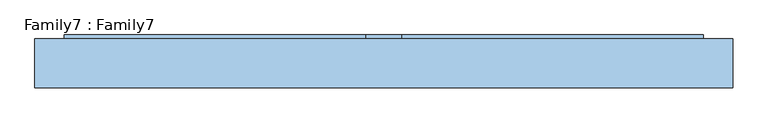
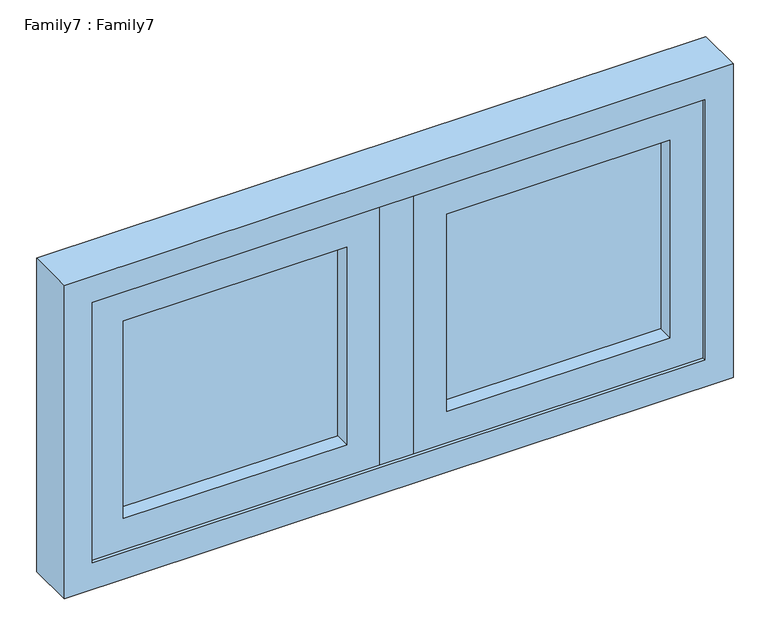
"""IFC4 building model written with IfcOpenShell, lengths in millimetres: window geometry, Family7 : Family7."""

from ifc_helpers import new_model, si_unit, frame, origin, place, context, project, spatial, polyline, outline, extrude, source, transform, mapped, element, save


def family7_family7_911ad842(model_context):
    return source(origin(), model_context, "Body", "SweptSolid", [
        extrude(outline(polyline([(486.0, 14.0), (486.0, 10.0), (89.0, 10.0), (89.0, 14.0), (486.0, 14.0)])), frame((0.0, 0.0, 909.0), z_axis=(0.0, 0.0, 1.0), x_axis=(1.0, 0.0, 0.0)), (0.0, 0.0, 1.0), 372.0),
        extrude(outline(polyline([(486.0, -10.0), (486.0, -14.0), (89.0, -14.0), (89.0, -10.0), (486.0, -10.0)])), frame((0.0, 0.0, 909.0), z_axis=(0.0, 0.0, 1.0), x_axis=(1.0, 0.0, 0.0)), (0.0, 0.0, 1.0), 372.0),
        extrude(outline(polyline([(-89.0, 14.0), (-89.0, 10.0), (-486.0, 10.0), (-486.0, 14.0), (-89.0, 14.0)])), frame((0.0, 0.0, 909.0), z_axis=(0.0, 0.0, 1.0), x_axis=(1.0, 0.0, 0.0)), (0.0, 0.0, 1.0), 372.0),
        extrude(outline(polyline([(-89.0, -10.0), (-89.0, -14.0), (-486.0, -14.0), (-486.0, -10.0), (-89.0, -10.0)])), frame((0.0, 0.0, 909.0), z_axis=(0.0, 0.0, 1.0), x_axis=(1.0, 0.0, 0.0)), (0.0, 0.0, 1.0), 372.0),
        extrude(outline(polyline([(30.0, -42.0), (-30.0, -42.0), (-30.0, 42.0), (30.0, 42.0), (30.0, -42.0)])), frame((0.0, 0.0, 850.0), z_axis=(0.0, 0.0, 1.0), x_axis=(1.0, 0.0, 0.0)), (0.0, 0.0, 1.0), 490.0),
        extrude(outline(polyline([(1340.0, 545.0), (1340.0, 30.0), (850.0, 30.0), (850.0, 545.0), (1340.0, 545.0)]), holes=[polyline([(909.0, 486.0), (909.0, 89.0), (1281.0, 89.0), (1281.0, 486.0), (909.0, 486.0)])]), frame((0.0, -42.0, 0.0), z_axis=(0.0, 1.0, 0.0), x_axis=(0.0, 0.0, 1.0)), (0.0, 0.0, 1.0), 84.0),
        extrude(outline(polyline([(1340.0, -30.0), (1340.0, -545.0), (850.0, -545.0), (850.0, -30.0), (1340.0, -30.0)]), holes=[polyline([(909.0, -89.0), (909.0, -486.0), (1281.0, -486.0), (1281.0, -89.0), (909.0, -89.0)])]), frame((0.0, -42.0, 0.0), z_axis=(0.0, 1.0, 0.0), x_axis=(0.0, 0.0, 1.0)), (0.0, 0.0, 1.0), 84.0),
        extrude(outline(polyline([(1390.0, 595.0), (1390.0, -595.0), (800.0, -595.0), (800.0, 595.0), (1390.0, 595.0)]), holes=[polyline([(850.0, 545.0), (850.0, -545.0), (1340.0, -545.0), (1340.0, 545.0), (850.0, 545.0)])]), frame((0.0, -48.2132118, 0.0), z_axis=(0.0, 1.0, 0.0), x_axis=(0.0, 0.0, 1.0)), (0.0, 0.0, 1.0), 84.0),
    ])


if __name__ == "__main__":
    model = new_model("IFC4")
    model_context = context("Model", 3, world=origin())
    ifc_project = project(units=[si_unit("LENGTHUNIT", "METRE", prefix="MILLI")], contexts=[model_context])
    site = spatial("IfcSite", under=ifc_project)
    building = spatial("IfcBuilding", under=site)
    placement = place(None, origin())
    family7_family7_shape = family7_family7_911ad842(model_context)
    element("IfcWindow", 1, ObjectType="Family7 : Family7", at=placement, inside=building, context=model_context, shape_type="MappedRepresentation", body=[
        mapped(family7_family7_shape, transform((0.0, 0.0, 0.0), x_axis=(1.0, 0.0, 0.0), y_axis=(0.0, 1.0, 0.0), z_axis=(0.0, 0.0, 1.0))),
    ])
    save(model, "model.ifc")
